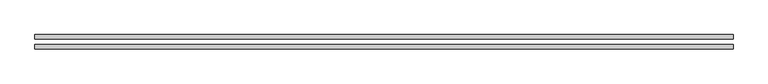
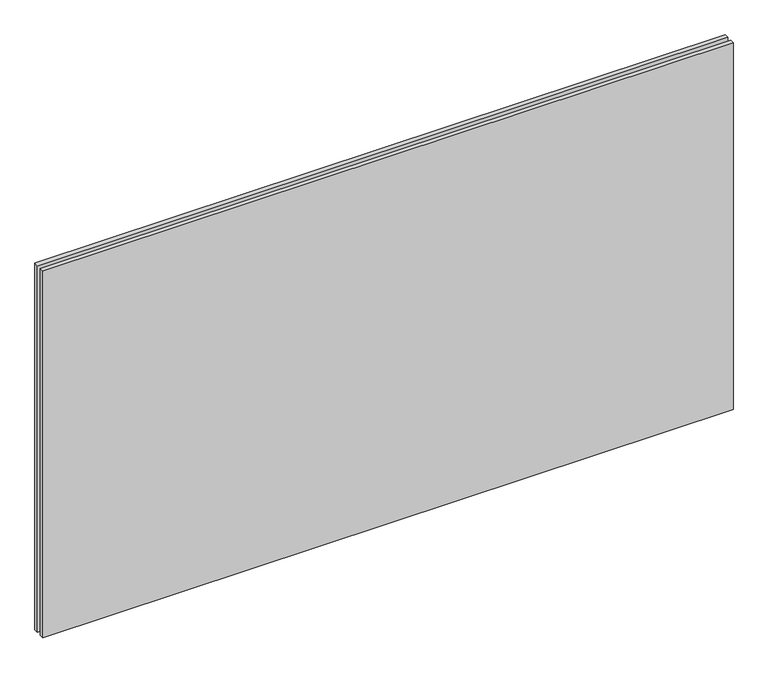
"""IFC4 building model written with IfcOpenShell, lengths in millimetres: plate geometry."""

from ifc_helpers import new_model, si_unit, origin, origin_with_axes, place, context, project, spatial, polyline, outline, extrude, source, transform, mapped, element, save


def plate_ae95d29d(model_context):
    return source(origin(), model_context, "Body", "SweptSolid", [
        extrude(outline(polyline([(616.6, -40.8), (-616.6, -40.8), (-616.6, -32.8), (616.6, -32.8), (616.6, -40.8)])), origin_with_axes(), (0.0, 0.0, 1.0), 693.2),
        extrude(outline(polyline([(616.6, -23.8), (-616.6, -23.8), (-616.6, -15.8), (616.6, -15.8), (616.6, -23.8)])), origin_with_axes(), (0.0, 0.0, 1.0), 693.2),
    ])


if __name__ == "__main__":
    model = new_model("IFC4")
    model_context = context("Model", 3, world=origin())
    ifc_project = project(units=[si_unit("LENGTHUNIT", "METRE", prefix="MILLI")], contexts=[model_context])
    site = spatial("IfcSite", under=ifc_project)
    building = spatial("IfcBuilding", under=site)
    placement = place(None, origin())
    plate_shape = plate_ae95d29d(model_context)
    element("IfcPlate", 1, at=placement, inside=building, context=model_context, shape_type="MappedRepresentation", body=[
        mapped(plate_shape, transform((0.0, 0.0, 0.0), x_axis=(1.0, 0.0, 0.0), y_axis=(0.0, 1.0, 0.0), z_axis=(0.0, 0.0, 1.0))),
    ])
    save(model, "model.ifc")
